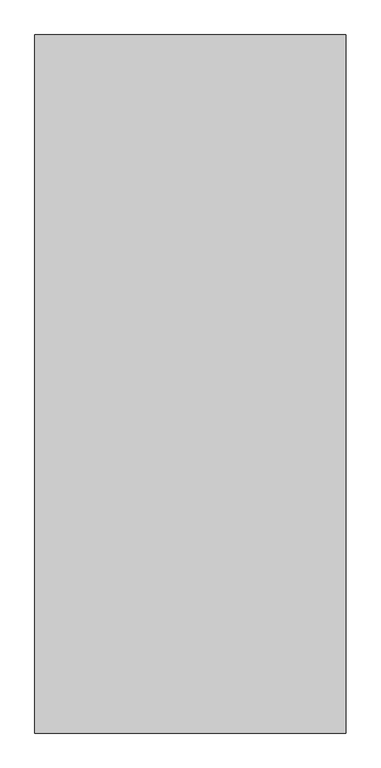
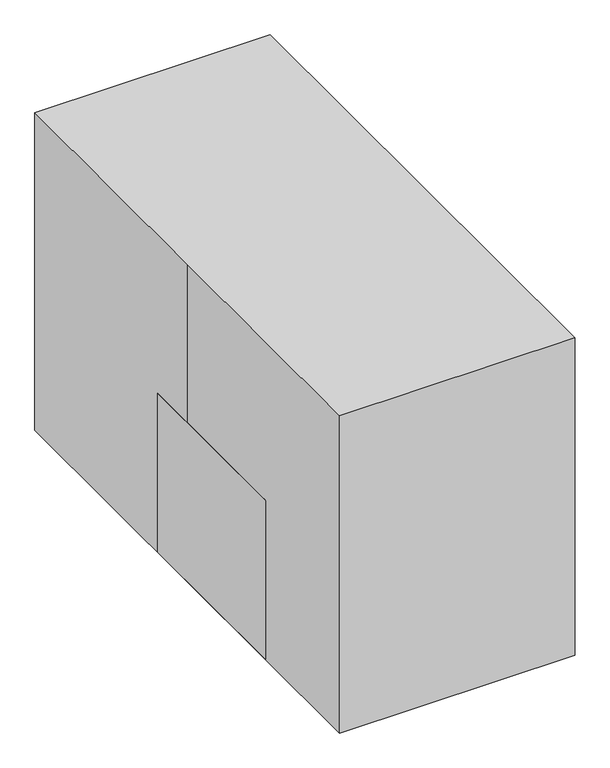
"""IFC4 building model written with IfcOpenShell, lengths in millimetres: proxy geometry."""

from ifc_helpers import new_model, si_unit, point, frame, frame_2d, origin, origin_with_axes, place, context, project, spatial, polyline, circle_curve, trimmed, segment, composite_curve, outline, extrude, source, transform, mapped, element, save


def specialty_equipment_4c39ca17(model_context):
    return source(origin(), model_context, "Body", "SweptSolid", [
        extrude(outline(polyline([(330.2, 182.829858), (330.2, 132.029858), (-330.2, 132.029858), (-330.2, 182.829858), (330.2, 182.829858)])), origin_with_axes(), (0.0, 0.0, 1.0), 330.2),
        extrude(outline(composite_curve([segment(polyline([(111.703548, 310.4779888), (62.634516, 323.6259963)]), True, "CONTINUOUS"), segment(trimmed(circle_curve(frame_2d((69.2085197, 348.1605122)), 25.4), [point((62.634516, 323.6259963))], [point((44.6740037, 354.734516))], False, "CARTESIAN"), True, "CONTINUOUS"), segment(polyline([(44.6740037, 354.734516), (64.6476209, 429.2770699)]), True, "CONTINUOUS"), segment(trimmed(circle_curve(frame_2d((677.5149552, 416.2618487)), 613.0055183), [point((64.6476209, 429.2770699))], [point((140.2486639, 711.4240037))], False, "CARTESIAN"), True, "CONTINUOUS"), segment(trimmed(circle_curve(frame_2d((-397.0176273, 1006.5861588)), 613.0055183), [point((140.2486639, 711.4240037))], [point((215.849707, 993.5709376))], True, "CARTESIAN"), True, "CONTINUOUS"), segment(trimmed(circle_curve(frame_2d((304.6243401, 991.6856658)), 88.7946492), [point((215.849707, 993.5709376))], [point((291.4663599, 1079.5))], False, "CARTESIAN"), True, "CONTINUOUS"), segment(polyline([(291.4663599, 1079.5), (316.0008758, 1072.9259963)]), True, "CONTINUOUS"), segment(trimmed(circle_curve(frame_2d((309.4268721, 1048.3914803)), 25.4), [point((316.0008758, 1072.9259963))], [point((333.9613881, 1041.8174765))], False, "CARTESIAN"), True, "CONTINUOUS"), segment(polyline([(333.9613881, 1041.8174765), (142.8120677, 328.438501)]), True, "CONTINUOUS"), segment(trimmed(circle_curve(frame_2d((118.2775517, 335.0125048)), 25.4), [point((142.8120677, 328.438501))], [point((111.703548, 310.4779888))], False, "CARTESIAN"), True, "CONTINUOUS")], self_intersect=False)), frame((-330.2, 0.0, 0.0), z_axis=(1.0, 0.0, 0.0), x_axis=(0.0, 1.0, 0.0)), (0.0, 0.0, 1.0), 660.4),
        extrude(outline(composite_curve([segment(polyline([(622.3, -355.6), (622.3, -393.7)]), True, "CONTINUOUS"), segment(trimmed(circle_curve(frame_2d((596.9, -393.7)), 25.4), [point((622.3, -393.7))], [point((596.9, -419.1))], False, "CARTESIAN"), True, "CONTINUOUS"), segment(polyline([(596.9, -419.1), (0.0, -419.1), (0.0, -330.2), (596.9, -330.2)]), True, "CONTINUOUS"), segment(trimmed(circle_curve(frame_2d((596.9, -355.6)), 25.4), [point((596.9, -330.2))], [point((622.3, -355.6))], False, "CARTESIAN"), True, "CONTINUOUS")], self_intersect=False)), frame((0.0, -482.6, 0.0), z_axis=(0.0, 1.0, 0.0), x_axis=(0.0, 0.0, 1.0)), (0.0, 0.0, 1.0), 665.429858),
        extrude(outline(composite_curve([segment(polyline([(622.3, 393.7), (622.3, 355.6)]), True, "CONTINUOUS"), segment(trimmed(circle_curve(frame_2d((596.9, 355.6)), 25.4), [point((622.3, 355.6))], [point((596.9, 330.2))], False, "CARTESIAN"), True, "CONTINUOUS"), segment(polyline([(596.9, 330.2), (0.0, 330.2), (0.0, 419.1), (596.9, 419.1)]), True, "CONTINUOUS"), segment(trimmed(circle_curve(frame_2d((596.9, 393.7)), 25.4), [point((596.9, 419.1))], [point((622.3, 393.7))], False, "CARTESIAN"), True, "CONTINUOUS")], self_intersect=False)), frame((0.0, -482.6, 0.0), z_axis=(0.0, 1.0, 0.0), x_axis=(0.0, 0.0, 1.0)), (0.0, 0.0, 1.0), 665.429858),
        extrude(outline(composite_curve([segment(polyline([(317.5, 269.6121072), (317.5, -266.7)]), True, "CONTINUOUS"), segment(trimmed(circle_curve(frame_2d((266.7, -266.7)), 50.8), [point((317.5, -266.7))], [point((266.7, -317.5))], False, "CARTESIAN"), True, "CONTINUOUS"), segment(polyline([(266.7, -317.5), (50.8, -317.5)]), True, "CONTINUOUS"), segment(trimmed(circle_curve(frame_2d((50.8, -266.7)), 50.8), [point((50.8, -317.5))], [point((0.0, -266.7))], False, "CARTESIAN"), True, "CONTINUOUS"), segment(polyline([(0.0, -266.7), (0.0, 269.6121072)]), True, "CONTINUOUS"), segment(trimmed(circle_curve(frame_2d((50.8, 269.6121072)), 50.8), [point((0.0, 269.6121072))], [point((50.8, 320.4121072))], False, "CARTESIAN"), True, "CONTINUOUS"), segment(polyline([(50.8, 320.4121072), (266.7, 320.4121072)]), True, "CONTINUOUS"), segment(trimmed(circle_curve(frame_2d((266.7, 269.6121072)), 50.8), [point((266.7, 320.4121072))], [point((317.5, 269.6121072))], False, "CARTESIAN"), True, "CONTINUOUS")], self_intersect=False)), frame((0.0, -482.6, 0.0), z_axis=(0.0, 1.0, 0.0), x_axis=(0.0, 0.0, 1.0)), (0.0, 0.0, 1.0), 101.6),
        extrude(outline(composite_curve([segment(trimmed(circle_curve(frame_2d((279.4, -12.7)), 50.8), [point((279.4, 38.1))], [point((330.2, -12.7))], False, "CARTESIAN"), True, "CONTINUOUS"), segment(polyline([(330.2, -12.7), (330.2, -431.8)]), True, "CONTINUOUS"), segment(trimmed(circle_curve(frame_2d((279.4, -431.8)), 50.8), [point((330.2, -431.8))], [point((279.4, -482.6))], False, "CARTESIAN"), True, "CONTINUOUS"), segment(polyline([(279.4, -482.6), (-279.4, -482.6)]), True, "CONTINUOUS"), segment(trimmed(circle_curve(frame_2d((-279.4, -431.8)), 50.8), [point((-279.4, -482.6))], [point((-330.2, -431.8))], False, "CARTESIAN"), True, "CONTINUOUS"), segment(polyline([(-330.2, -431.8), (-330.2, -12.7)]), True, "CONTINUOUS"), segment(trimmed(circle_curve(frame_2d((-279.4, -12.7)), 50.8), [point((-330.2, -12.7))], [point((-279.4, 38.1))], False, "CARTESIAN"), True, "CONTINUOUS"), segment(polyline([(-279.4, 38.1), (279.4, 38.1)]), True, "CONTINUOUS")], self_intersect=False)), frame((0.0, 0.0, 330.2), z_axis=(0.0, 0.0, 1.0), x_axis=(1.0, 0.0, 0.0)), (0.0, 0.0, 1.0), 101.6),
        extrude(outline(polyline([(-419.1, 939.8), (419.1, 939.8), (419.1, -939.8), (-419.1, -939.8), (-419.1, 0.0), (-419.1, 939.8)])), origin_with_axes(), (0.0, 0.0, 1.0), 1193.8),
    ])


if __name__ == "__main__":
    model = new_model("IFC4")
    model_context = context("Model", 3, world=origin())
    ifc_project = project(units=[si_unit("LENGTHUNIT", "METRE", prefix="MILLI")], contexts=[model_context])
    site = spatial("IfcSite", under=ifc_project)
    building = spatial("IfcBuilding", under=site)
    placement = place(None, origin())
    specialty_equipment_shape = specialty_equipment_4c39ca17(model_context)
    element("IfcBuildingElementProxy", 1, Name="Specialty Equipment", at=placement, inside=building, context=model_context, shape_type="MappedRepresentation", body=[
        mapped(specialty_equipment_shape, transform((0.0, 0.0, 0.0), x_axis=(1.0, 0.0, 0.0), y_axis=(0.0, 1.0, 0.0), z_axis=(0.0, 0.0, 1.0))),
    ])
    save(model, "model.ifc")
